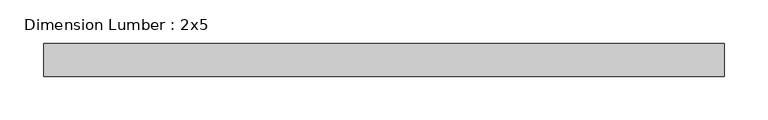
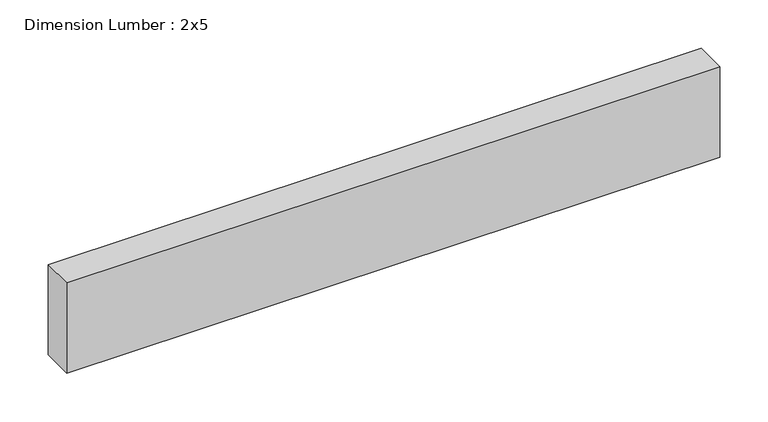
"""IFC4 building model written with IfcOpenShell, lengths in millimetres: beam geometry, Dimension Lumber : 2x5."""

from ifc_helpers import new_model, si_unit, frame, origin, place, context, project, spatial, polyline, outline, extrude, source, transform, mapped, element, save


def dimension_lumber_2x5_c6b2ffa9(model_context):
    return source(origin(), model_context, "Body", "SweptSolid", [
        extrude(outline(polyline([(390.279552, 19.05), (390.279552, -19.05), (-390.279552, -19.05), (-390.279552, 19.05), (390.279552, 19.05)])), frame((0.0, 0.0, -57.15), z_axis=(0.0, 0.0, 1.0), x_axis=(1.0, 0.0, 0.0)), (0.0, 0.0, 1.0), 114.3),
    ])


if __name__ == "__main__":
    model = new_model("IFC4")
    model_context = context("Model", 3, world=origin())
    ifc_project = project(units=[si_unit("LENGTHUNIT", "METRE", prefix="MILLI")], contexts=[model_context])
    site = spatial("IfcSite", under=ifc_project)
    building = spatial("IfcBuilding", under=site)
    placement = place(None, origin())
    dimension_lumber_2x5_shape = dimension_lumber_2x5_c6b2ffa9(model_context)
    element("IfcBeam", 1, ObjectType="Dimension Lumber : 2x5", at=placement, inside=building, context=model_context, shape_type="MappedRepresentation", body=[
        mapped(dimension_lumber_2x5_shape, transform((0.0, 0.0, 0.0), x_axis=(1.0, 0.0, 0.0), y_axis=(0.0, 1.0, 0.0), z_axis=(0.0, 0.0, 1.0))),
    ])
    save(model, "model.ifc")
